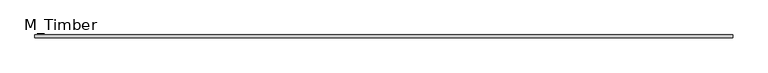
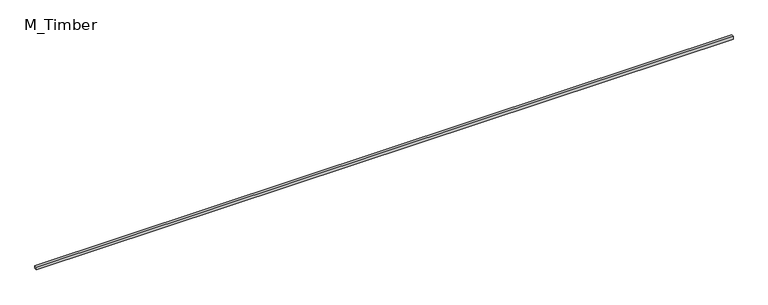
"""IFC4 building model written with IfcOpenShell, lengths in millimetres: beam geometry, M_Timber."""

from ifc_helpers import new_model, si_unit, frame, origin, place, context, project, spatial, polyline, outline, extrude, source, transform, mapped, element, save


def m_timber_0e6b19f3(model_context):
    return source(origin(), model_context, "Body", "SweptSolid", [
        extrude(outline(polyline([(5172.1270019, 20.0), (5172.1270019, -20.0), (-5172.1270019, -20.0), (-5172.1270019, 20.0), (5172.1270019, 20.0)])), frame((0.0, 0.0, -20.0), z_axis=(0.0, 0.0, 1.0), x_axis=(1.0, 0.0, 0.0)), (0.0, 0.0, 1.0), 40.0),
    ])


if __name__ == "__main__":
    model = new_model("IFC4")
    model_context = context("Model", 3, world=origin())
    ifc_project = project(units=[si_unit("LENGTHUNIT", "METRE", prefix="MILLI")], contexts=[model_context])
    site = spatial("IfcSite", under=ifc_project)
    building = spatial("IfcBuilding", under=site)
    placement = place(None, origin())
    m_timber_shape = m_timber_0e6b19f3(model_context)
    element("IfcBeam", 1, ObjectType="M_Timber", at=placement, inside=building, context=model_context, shape_type="MappedRepresentation", body=[
        mapped(m_timber_shape, transform((0.0, 0.0, 0.0), x_axis=(1.0, 0.0, 0.0), y_axis=(0.0, 1.0, 0.0), z_axis=(0.0, 0.0, 1.0))),
    ])
    save(model, "model.ifc")
